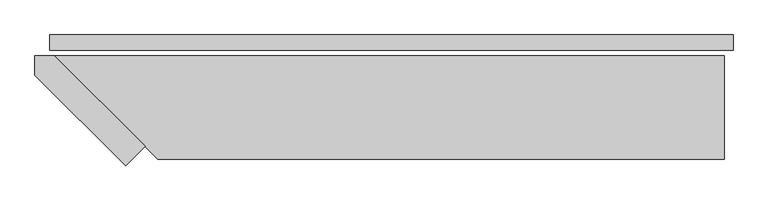
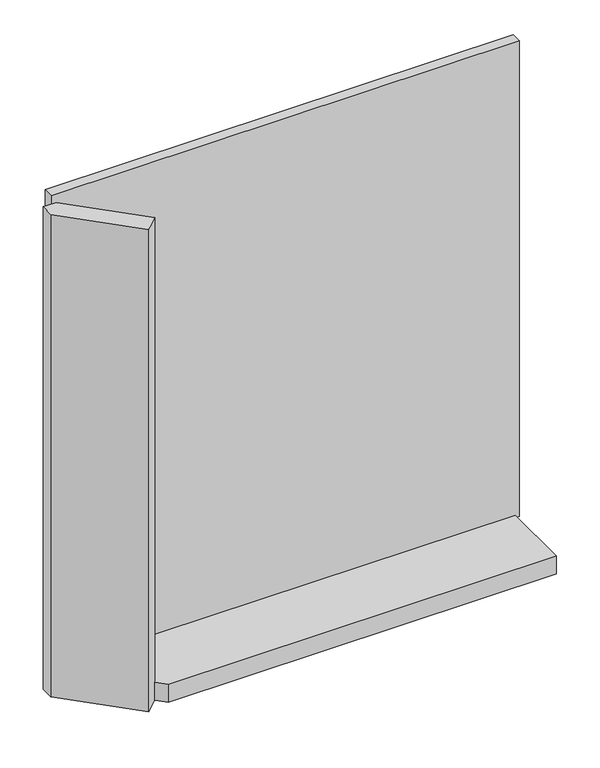
"""IFC4 building model written with IfcOpenShell, lengths in millimetres: plate geometry."""

from ifc_helpers import new_model, si_unit, frame, origin, origin_with_axes, place, context, project, spatial, polyline, outline, extrude, source, transform, mapped, element, save


def plate_23dd24c4(model_context):
    return source(origin(), model_context, "Body", "SweptSolid", [
        extrude(outline(polyline([(991.0, 0.0), (991.0, -44.0), (-991.0, -44.0), (-991.0, 0.0), (991.0, 0.0)])), origin_with_axes(), (0.0, 0.0, 1.0), 2132.0),
        extrude(outline(polyline([(-714.0, -323.4314575), (-770.5685425, -380.0), (-1034.0, -116.5685425), (-1034.0, -60.0), (-977.4314575, -60.0), (-714.0, -323.4314575)])), frame((0.0, 0.0, -55.0), z_axis=(0.0, 0.0, 1.0), x_axis=(1.0, 0.0, 0.0)), (0.0, 0.0, 1.0), 2162.0),
        extrude(outline(polyline([(966.0, -360.0), (-677.4314575, -360.0), (-977.4314575, -60.0), (966.0, -60.0), (966.0, -360.0)])), frame((0.0, 0.0, -55.0), z_axis=(0.0, 0.0, 1.0), x_axis=(1.0, 0.0, 0.0)), (0.0, 0.0, 1.0), 80.0),
    ])


if __name__ == "__main__":
    model = new_model("IFC4")
    model_context = context("Model", 3, world=origin())
    ifc_project = project(units=[si_unit("LENGTHUNIT", "METRE", prefix="MILLI")], contexts=[model_context])
    site = spatial("IfcSite", under=ifc_project)
    building = spatial("IfcBuilding", under=site)
    placement = place(None, origin())
    plate_shape = plate_23dd24c4(model_context)
    element("IfcPlate", 1, at=placement, inside=building, context=model_context, shape_type="MappedRepresentation", body=[
        mapped(plate_shape, transform((0.0, 0.0, 0.0), x_axis=(1.0, 0.0, 0.0), y_axis=(0.0, 1.0, 0.0), z_axis=(0.0, 0.0, 1.0))),
    ])
    save(model, "model.ifc")
